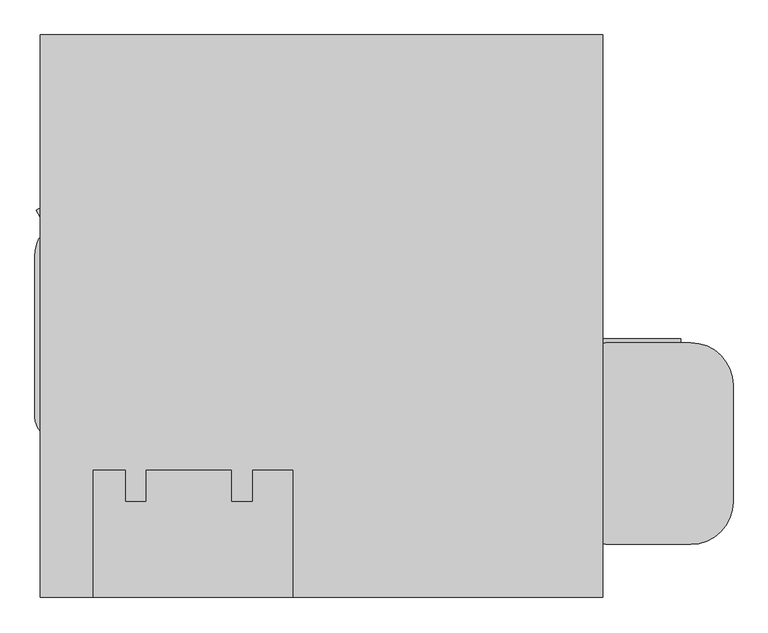
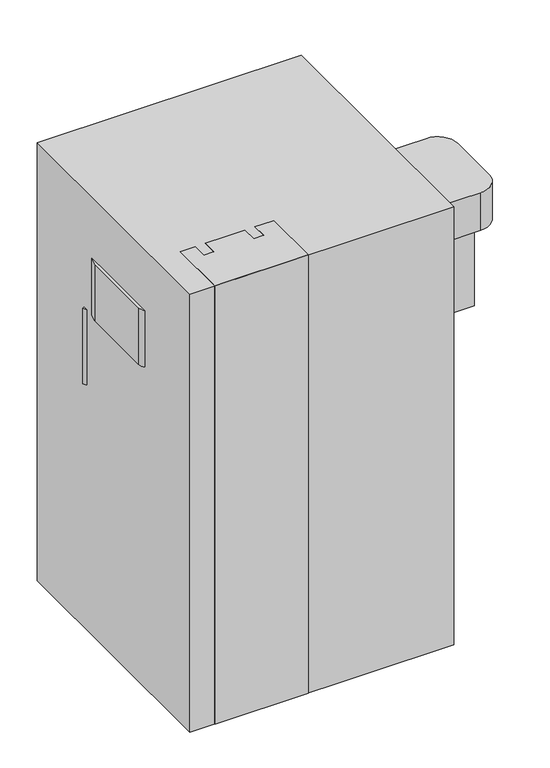
"""IFC4 building model written with IfcOpenShell, lengths in millimetres: proxy geometry."""

import ifcopenshell
import ifcopenshell.guid

model = None  # the IFC model being written
_history = None  # IfcOwnerHistory: only IFC2X3 demands one
_inside = {}  # id of a spatial element -> (the spatial element, [elements in it])
_under = {}  # id of a project, library or spatial element -> (it, [spatial elements below it])
_declared = {}  # id of a project -> (the project, [libraries it declares])
_typed = {}  # id of a type object -> (the type object, [elements of that type])
_made_of = {}  # id of a material, layer set ... -> (it, [elements and type objects made of it])


def new_model(schema):
    """Start an empty IFC model of exactly this schema.

    Asked for "IFC4X3", IfcOpenShell would pick the latest addendum, in which some entities
    have other attributes; the version numbers below select the first issue.
    IFC2X3 requires an IfcOwnerHistory on every rooted entity: one is made here for all.
    """
    global model, _history
    if schema == "IFC4X3":
        model = ifcopenshell.file(schema_version=(4, 3, 0, 0))
    else:
        model = ifcopenshell.file(schema=schema)
    _inside.clear()
    _under.clear()
    _declared.clear()
    _typed.clear()
    _made_of.clear()
    _history = None
    if model.schema == "IFC2X3":
        org = make("IfcOrganization", Name="unknown")
        user = make(
            "IfcPersonAndOrganization",
            ThePerson=make("IfcPerson", FamilyName="unknown"),
            TheOrganization=org,
        )
        app = make(
            "IfcApplication",
            ApplicationDeveloper=org,
            Version="unknown",
            ApplicationFullName="unknown",
            ApplicationIdentifier="unknown",
        )
        _history = make(
            "IfcOwnerHistory",
            OwningUser=user,
            OwningApplication=app,
            ChangeAction="ADDED",
            CreationDate=0,
        )
    return model


def make(cls, **values):
    """One entity of the class cls with the attributes given. An attribute that is None is left unset."""
    return model.create_entity(
        cls, **{name: value for name, value in values.items() if value is not None}
    )


def rooted(cls, **values):
    """An entity with a GlobalId (a new one), such as an element, a storey or a relation."""
    return make(cls, GlobalId=ifcopenshell.guid.new(), OwnerHistory=_history, **values)


def si_unit(unit_type, name, prefix=None):
    """IfcSIUnit, for example si_unit("LENGTHUNIT", "METRE", prefix="MILLI")."""
    return make("IfcSIUnit", UnitType=unit_type, Prefix=prefix, Name=name)


def assignment(units):
    """IfcUnitAssignment: the units of a project."""
    return None if units is None else make("IfcUnitAssignment", Units=units)


def point(xyz):
    """IfcCartesianPoint."""
    return None if xyz is None else make("IfcCartesianPoint", Coordinates=xyz)


def direction(xyz):
    """IfcDirection."""
    return None if xyz is None else make("IfcDirection", DirectionRatios=xyz)


def frame(location, z_axis=None, x_axis=None):
    """IfcAxis2Placement3D, a coordinate frame: its origin and axes. An axis left out is left unset."""
    return make(
        "IfcAxis2Placement3D",
        Location=point(location),
        Axis=direction(z_axis),
        RefDirection=direction(x_axis),
    )


def frame_2d(location, x_axis=None):
    """IfcAxis2Placement2D, a coordinate frame in the plane: its origin and x axis."""
    return make(
        "IfcAxis2Placement2D", Location=point(location), RefDirection=direction(x_axis)
    )


def origin():
    """The frame at (0, 0, 0) with its axes left unset."""
    return frame((0.0, 0.0, 0.0))


def origin_with_axes():
    """The frame at (0, 0, 0) with the z axis (0, 0, 1) and the x axis (1, 0, 0) written out."""
    return frame((0.0, 0.0, 0.0), z_axis=(0.0, 0.0, 1.0), x_axis=(1.0, 0.0, 0.0))


def place(relative_to, where):
    """IfcLocalPlacement: puts the frame where relative to a parent placement (None: the world)."""
    return make(
        "IfcLocalPlacement", PlacementRelTo=relative_to, RelativePlacement=where
    )


def context(
    kind, dimensions, precision=None, world=None, true_north=None, identifier=None
):
    """IfcGeometricRepresentationContext, for example the 3D "Model" context."""
    return make(
        "IfcGeometricRepresentationContext",
        ContextIdentifier=identifier,
        ContextType=kind,
        CoordinateSpaceDimension=dimensions,
        Precision=precision,
        WorldCoordinateSystem=world,
        TrueNorth=true_north,
    )


def project(units=None, contexts=None):
    """IfcProject with its units and contexts."""
    return rooted(
        "IfcProject",
        Name="project",
        RepresentationContexts=contexts,
        UnitsInContext=assignment(units),
    )


def spatial(cls, under=None, at=None, **own):
    """A site, building, storey or space (cls), placed at a placement, below another one or the project."""
    s = rooted(cls, ObjectPlacement=at, **own)
    if under is not None:
        _under.setdefault(under.id(), (under, []))[1].append(s)
    return s


def polyline(points):
    """IfcPolyline through the points."""
    return make("IfcPolyline", Points=[point(p) for p in points])


def circle_curve(where, radius):
    """IfcCircle in the frame where."""
    return make("IfcCircle", Position=where, Radius=radius)


def trimmed(basis, trim1, trim2, sense, master):
    """IfcTrimmedCurve: the piece of a basis curve between two trims."""
    return make(
        "IfcTrimmedCurve",
        BasisCurve=basis,
        Trim1=trim1,
        Trim2=trim2,
        SenseAgreement=sense,
        MasterRepresentation=master,
    )


def segment(curve, same_sense, transition):
    """IfcCompositeCurveSegment."""
    return make(
        "IfcCompositeCurveSegment",
        Transition=transition,
        SameSense=same_sense,
        ParentCurve=curve,
    )


def composite_curve(segments, self_intersect=None):
    """IfcCompositeCurve: segments joined end to end."""
    return make("IfcCompositeCurve", Segments=segments, SelfIntersect=self_intersect)


def outline(outer, holes=None, kind="AREA"):
    """IfcArbitraryClosedProfileDef: a profile drawn as a closed curve; with holes, ...WithVoids."""
    if holes is None:
        return make("IfcArbitraryClosedProfileDef", ProfileType=kind, OuterCurve=outer)
    return make(
        "IfcArbitraryProfileDefWithVoids",
        ProfileType=kind,
        OuterCurve=outer,
        InnerCurves=holes,
    )


def extrude(swept, where, along, depth):
    """IfcExtrudedAreaSolid: the profile swept, set in the frame where, extruded along a direction by depth."""
    return make(
        "IfcExtrudedAreaSolid",
        SweptArea=swept,
        Position=where,
        ExtrudedDirection=direction(along),
        Depth=depth,
    )


def shape(context_of_items, identifier, shape_type, items):
    """IfcShapeRepresentation: the items that make up one representation, for example the "Body"."""
    return make(
        "IfcShapeRepresentation",
        ContextOfItems=context_of_items,
        RepresentationIdentifier=identifier,
        RepresentationType=shape_type,
        Items=items,
    )


def source(mapping_origin, context_of_items, identifier, shape_type, items):
    """IfcRepresentationMap: a shape defined once, which mapped items show again and again."""
    return make(
        "IfcRepresentationMap",
        MappingOrigin=mapping_origin,
        MappedRepresentation=shape(context_of_items, identifier, shape_type, items),
    )


def transform(
    local_origin,
    x_axis=None,
    y_axis=None,
    z_axis=None,
    scale=None,
    scale2=None,
    scale3=None,
    uniform=True,
):
    """IfcCartesianTransformationOperator3D, or its non-uniform kind. x_axis, y_axis, z_axis: its Axis1, 2, 3."""
    if uniform:
        return make(
            "IfcCartesianTransformationOperator3D",
            Axis1=direction(x_axis),
            Axis2=direction(y_axis),
            LocalOrigin=point(local_origin),
            Scale=scale,
            Axis3=direction(z_axis),
        )
    return make(
        "IfcCartesianTransformationOperator3DnonUniform",
        Axis1=direction(x_axis),
        Axis2=direction(y_axis),
        LocalOrigin=point(local_origin),
        Scale=scale,
        Axis3=direction(z_axis),
        Scale2=scale2,
        Scale3=scale3,
    )


def mapped(mapping_source, mapping_target):
    """IfcMappedItem: shows the shape of a source again, moved by a transform."""
    return make(
        "IfcMappedItem", MappingSource=mapping_source, MappingTarget=mapping_target
    )


def made_of(thing, what):
    """Note that an element or type object is made of a material, layer set ...; save() writes the relation."""
    if what is not None:
        _made_of.setdefault(what.id(), (what, []))[1].append(thing)
    return thing


def element(
    cls,
    number,
    at=None,
    inside=None,
    cuts=None,
    type_object=None,
    material=None,
    context=None,
    identifier="Body",
    shape_type=None,
    held_by="IfcProductDefinitionShape",
    body=None,
    shapes=None,
    **own,
):
    """One element of the class cls, such as IfcWall. Its Tag is "e" and its number.

    at: its placement. inside: the storey or other place that contains it. cuts: it is an
    opening in that element (IfcRelVoidsElement). A single representation is given by context,
    identifier, shape_type and body (its items); several are given by shapes. held_by: the class
    of the entity that holds the representations. save() writes the other relations.
    """
    e = rooted(cls, Tag="e%d" % number, ObjectPlacement=at, **own)
    if body is not None:
        shapes = [shape(context, identifier, shape_type, body)]
    if shapes is not None:
        e.Representation = make(held_by, Representations=shapes)
    if inside is not None:
        _inside.setdefault(inside.id(), (inside, []))[1].append(e)
    if cuts is not None:
        rooted(
            "IfcRelVoidsElement", RelatingBuildingElement=cuts, RelatedOpeningElement=e
        )
    if type_object is not None:
        _typed.setdefault(type_object.id(), (type_object, []))[1].append(e)
    return made_of(e, material)


def aggregate(whole, parts):
    """IfcRelAggregates: a whole, such as a stair, and the parts it consists of."""
    return rooted("IfcRelAggregates", RelatingObject=whole, RelatedObjects=parts)


def save(model, path):
    """Write the relations noted so far, then the file.

    IfcRelAggregates (storeys below a building ...), IfcRelContainedInSpatialStructure (elements
    in a storey), IfcRelDefinesByType, IfcRelAssociatesMaterial and IfcRelDeclares: one each for
    every whole, place, type object, material and project.
    """
    for whole, parts in _under.values():
        aggregate(whole, parts)
    for where, things in _inside.values():
        rooted(
            "IfcRelContainedInSpatialStructure",
            RelatedElements=things,
            RelatingStructure=where,
        )
    for kind, things in _typed.values():
        rooted("IfcRelDefinesByType", RelatedObjects=things, RelatingType=kind)
    for what, things in _made_of.values():
        rooted("IfcRelAssociatesMaterial", RelatedObjects=things, RelatingMaterial=what)
    for by, libraries in _declared.values():
        rooted("IfcRelDeclares", RelatingContext=by, RelatedDefinitions=libraries)
    model.write(path)


def specialty_equipment_be512bf8(model_context):
    return source(origin(), model_context, "Body", "SweptSolid", [
        extrude(outline(polyline([(-406.4, 0.0), (0.0, 0.0), (0.0, -609.6), (-406.4, -609.6), (-406.4, -533.4), (-76.2, -533.4), (-76.2, -76.2), (-406.4, -76.2), (-406.4, 0.0)])), frame((48.0645431, 941.623638, 1727.2), z_axis=(-0.4999999999999939, 0.8660254037844421, 0.0), x_axis=(0.0, 0.0, 1.0)), (0.0, 0.0, 1.0), 406.4),
        extrude(outline(polyline([(202.4506181, 1676.4), (202.4506181, 2082.8), (680.8904855, 2082.8), (680.8904855, 1676.4), (612.3244671, 1676.4), (612.3244671, 2006.6), (255.5421767, 2006.6), (255.5421767, 1676.4), (202.4506181, 1676.4)])), frame((565.8314851, 0.0, 0.0), z_axis=(1.0, 0.0, 0.0), x_axis=(0.0, 1.0, 0.0)), (0.0, 0.0, 1.0), 293.5452305),
        extrude(outline(composite_curve([segment(polyline([(883.3314851, 188.9125), (680.1314851, 188.9125)]), True, "CONTINUOUS"), segment(trimmed(circle_curve(frame_2d((680.1314851, 290.5125)), 101.6), [point((680.1314851, 188.9125))], [point((578.5314851, 290.5125))], False, "CARTESIAN"), True, "CONTINUOUS"), segment(polyline([(578.5314851, 290.5125), (578.5314851, 569.9125)]), True, "CONTINUOUS"), segment(trimmed(circle_curve(frame_2d((680.1314851, 569.9125)), 101.6), [point((578.5314851, 569.9125))], [point((680.1314851, 671.5125))], False, "CARTESIAN"), True, "CONTINUOUS"), segment(polyline([(680.1314851, 671.5125), (883.3314851, 671.5125)]), True, "CONTINUOUS"), segment(trimmed(circle_curve(frame_2d((883.3314851, 569.9125)), 101.6), [point((883.3314851, 671.5125))], [point((984.9314851, 569.9125))], False, "CARTESIAN"), True, "CONTINUOUS"), segment(polyline([(984.9314851, 569.9125), (984.9314851, 290.5125)]), True, "CONTINUOUS"), segment(trimmed(circle_curve(frame_2d((883.3314851, 290.5125)), 101.6), [point((984.9314851, 290.5125))], [point((883.3314851, 188.9125))], False, "CARTESIAN"), True, "CONTINUOUS")], self_intersect=False)), frame((0.0, 0.0, 2082.8), z_axis=(0.0, 0.0, 1.0), x_axis=(1.0, 0.0, 0.0)), (0.0, 0.0, 1.0), 203.2),
        extrude(outline(polyline([(578.5314851, 366.7125), (578.5314851, 265.1125), (-69.1685149, 265.1125), (-69.1685149, 366.7125), (578.5314851, 366.7125)])), frame((0.0, 0.0, 2108.2), z_axis=(0.0, 0.0, 1.0), x_axis=(1.0, 0.0, 0.0)), (0.0, 0.0, 1.0), 152.4),
        extrude(outline(polyline([(500.0625, 1117.6), (549.131532, 1104.4519925), (616.7525332, 1151.8007273), (625.8713243, 1142.6819363), (551.5648464, 1090.6519804), (498.3905133, 1104.9), (417.5125, 1104.9), (417.5125, 1117.6), (500.0625, 1117.6)])), frame((-393.7, 0.0, 0.0), z_axis=(1.0, 0.0, 0.0), x_axis=(0.0, 1.0, 0.0)), (0.0, 0.0, 1.0), 152.4),
        extrude(outline(composite_curve([segment(polyline([(-419.1, 290.5125), (-469.9, 290.5125), (-469.9, 366.7125), (-469.9, 442.9125), (-635.0, 442.9125)]), True, "CONTINUOUS"), segment(trimmed(circle_curve(frame_2d((-635.0, 493.7125)), 50.8), [point((-635.0, 442.9125))], [point((-685.8, 493.7125))], False, "CARTESIAN"), True, "CONTINUOUS"), segment(polyline([(-685.8, 493.7125), (-685.8, 877.5883223)]), True, "CONTINUOUS"), segment(trimmed(circle_curve(frame_2d((-584.2, 877.5883223)), 101.6), [point((-685.8, 877.5883223))], [point((-676.2808712, 920.5263377))], False, "CARTESIAN"), True, "CONTINUOUS"), segment(polyline([(-676.2808712, 920.5263377), (-542.3094942, 1071.6526933)]), True, "CONTINUOUS"), segment(trimmed(circle_curve(frame_2d((-450.228623, 1028.7146779)), 101.6), [point((-542.3094942, 1071.6526933))], [point((-450.228623, 1130.3146779))], False, "CARTESIAN"), True, "CONTINUOUS"), segment(polyline([(-450.228623, 1130.3146779), (-184.771377, 1130.3146779)]), True, "CONTINUOUS"), segment(trimmed(circle_curve(frame_2d((-184.771377, 1028.7146779)), 101.6), [point((-184.771377, 1130.3146779))], [point((-92.6905058, 1071.6526933))], False, "CARTESIAN"), True, "CONTINUOUS"), segment(polyline([(-92.6905058, 1071.6526933), (-22.2191288, 920.5263377)]), True, "CONTINUOUS"), segment(trimmed(circle_curve(frame_2d((-114.3, 877.5883223)), 101.6), [point((-22.2191288, 920.5263377))], [point((-12.7, 877.5883223))], False, "CARTESIAN"), True, "CONTINUOUS"), segment(polyline([(-12.7, 877.5883223), (-12.7, 493.7125)]), True, "CONTINUOUS"), segment(trimmed(circle_curve(frame_2d((-63.5, 493.7125)), 50.8), [point((-12.7, 493.7125))], [point((-63.5, 442.9125))], False, "CARTESIAN"), True, "CONTINUOUS"), segment(polyline([(-63.5, 442.9125), (-165.1, 442.9125), (-165.1, 290.5125), (-215.9, 290.5125), (-215.9, 366.7125), (-419.1, 366.7125), (-419.1, 290.5125)]), True, "CONTINUOUS")], self_intersect=False)), frame((0.0, 0.0, 1727.2), z_axis=(0.0, 0.0, 1.0), x_axis=(1.0, 0.0, 0.0)), (0.0, 0.0, 1.0), 304.8),
        extrude(outline(polyline([(-419.1, 366.7125), (-419.1, 468.3125), (-215.9, 468.3125), (-215.9, 366.7125), (-419.1, 366.7125)])), frame((0.0, 0.0, 1117.6), z_axis=(0.0, 0.0, 1.0), x_axis=(1.0, 0.0, 0.0)), (0.0, 0.0, 1.0), 609.6),
        extrude(outline(polyline([(-69.1685149, 366.7125), (-69.1685149, 61.9125), (-546.1, 61.9125), (-546.1, 366.7125), (-469.9, 366.7125), (-469.9, 290.5125), (-419.1, 290.5125), (-419.1, 366.7125), (-317.5, 366.7125), (-215.9, 366.7125), (-215.9, 290.5125), (-165.1, 290.5125), (-165.1, 366.7125), (-69.1685149, 366.7125)])), origin_with_axes(), (0.0, 0.0, 1.0), 2362.2),
        extrude(outline(polyline([(673.1, 1408.1125), (673.1, 61.9125), (-673.1, 61.9125), (-673.1, 1408.1125), (673.1, 1408.1125)])), origin_with_axes(), (0.0, 0.0, 1.0), 2362.2),
    ])


if __name__ == "__main__":
    model = new_model("IFC4")
    model_context = context("Model", 3, world=origin())
    ifc_project = project(units=[si_unit("LENGTHUNIT", "METRE", prefix="MILLI")], contexts=[model_context])
    site = spatial("IfcSite", under=ifc_project)
    building = spatial("IfcBuilding", under=site)
    placement = place(None, origin())
    specialty_equipment_shape = specialty_equipment_be512bf8(model_context)
    element("IfcBuildingElementProxy", 1, Name="Specialty Equipment", at=placement, inside=building, context=model_context, shape_type="MappedRepresentation", body=[
        mapped(specialty_equipment_shape, transform((0.0, 0.0, 0.0), x_axis=(1.0, 0.0, 0.0), y_axis=(0.0, 1.0, 0.0), z_axis=(0.0, 0.0, 1.0))),
    ])
    save(model, "model.ifc")
